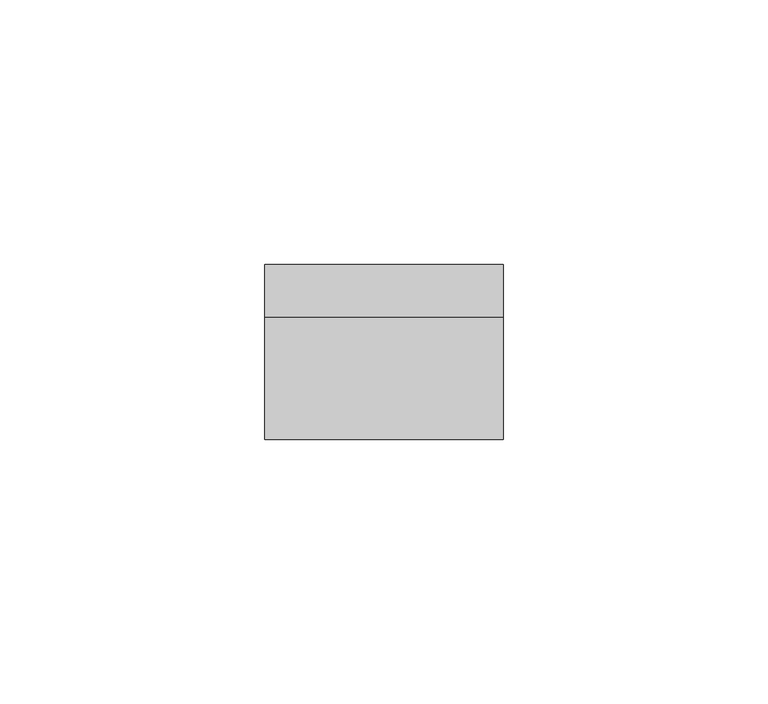
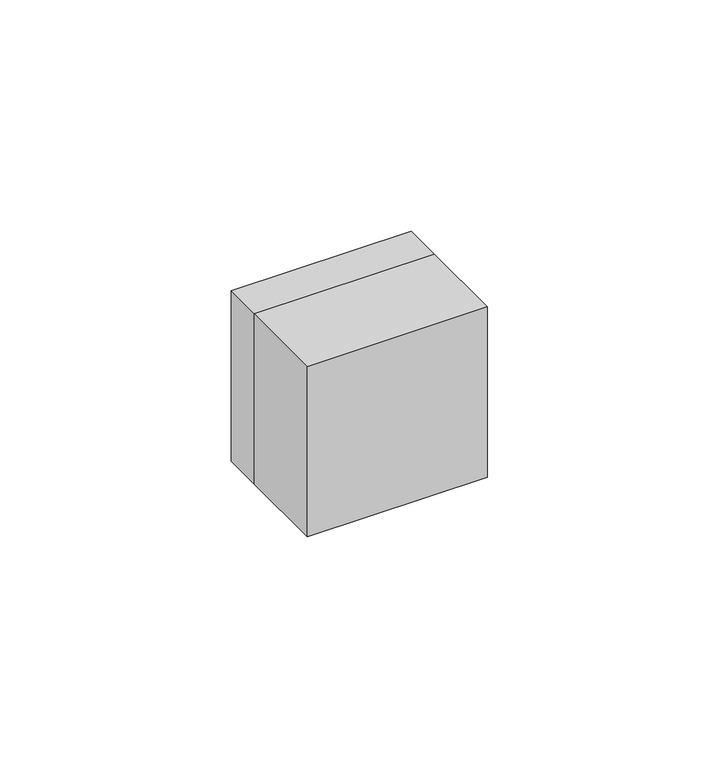
"""IFC4 building model written with IfcOpenShell, lengths in millimetres: electric appliance geometry."""

from ifc_helpers import new_model, si_unit, frame, origin, place, context, project, spatial, polyline, outline, extrude, source, transform, mapped, element, save


def electric_appliance_143d72e8(model_context):
    return source(origin(), model_context, "Body", "SweptSolid", [
        extrude(outline(polyline([(5.0, 0.0), (-5.0, 0.0), (-5.0, 7.0), (5.0, 7.0), (5.0, 0.0)])), frame((0.0, 0.0, 4.0), z_axis=(0.0, 0.0, 1.0), x_axis=(1.0, 0.0, 0.0)), (0.0, 0.0, 1.0), 1.0),
        extrude(outline(polyline([(22.5, -23.0), (-22.5, -23.0), (-22.5, 0.0), (22.5, 0.0), (22.5, -23.0)])), frame((0.0, 0.0, -22.5), z_axis=(0.0, 0.0, 1.0), x_axis=(1.0, 0.0, 0.0)), (0.0, 0.0, 1.0), 45.0),
        extrude(outline(polyline([(22.5, 22.5), (22.5, -22.5), (-22.5, -22.5), (-22.5, 22.5), (22.5, 22.5)]), holes=[polyline([(-6.0, -6.5), (8.0, -6.5), (8.0, 6.5), (-6.0, 6.5), (-6.0, -6.5)])]), frame((0.0, 0.0, 0.0), z_axis=(0.0, 1.0, 0.0), x_axis=(0.0, 0.0, 1.0)), (0.0, 0.0, 1.0), 10.0),
        extrude(outline(polyline([(7.8, 6.3), (7.8, -6.3), (-5.8, -6.3), (-5.8, 6.3), (7.8, 6.3)]), holes=[polyline([(-5.0, 2.0037086), (-5.0, -2.0037086), (-3.5, -2.0037086), (-3.5, -4.5037086), (-2.0, -4.5037086), (-2.0, -6.0), (5.0, -6.0), (5.0, 6.0), (-2.0, 6.0), (-2.0, 4.5037086), (-3.5, 4.5037086), (-3.5, 2.0037086), (-5.0, 2.0037086)])]), frame((0.0, 0.0, 0.0), z_axis=(0.0, 1.0, 0.0), x_axis=(0.0, 0.0, 1.0)), (0.0, 0.0, 1.0), 10.0),
    ])


if __name__ == "__main__":
    model = new_model("IFC4")
    model_context = context("Model", 3, world=origin())
    ifc_project = project(units=[si_unit("LENGTHUNIT", "METRE", prefix="MILLI")], contexts=[model_context])
    site = spatial("IfcSite", under=ifc_project)
    building = spatial("IfcBuilding", under=site)
    placement = place(None, origin())
    electric_appliance_shape = electric_appliance_143d72e8(model_context)
    element("IfcElectricAppliance", 1, at=placement, inside=building, context=model_context, shape_type="MappedRepresentation", body=[
        mapped(electric_appliance_shape, transform((0.0, 0.0, 0.0), x_axis=(1.0, 0.0, 0.0), y_axis=(0.0, 1.0, 0.0), z_axis=(0.0, 0.0, 1.0))),
    ])
    save(model, "model.ifc")
